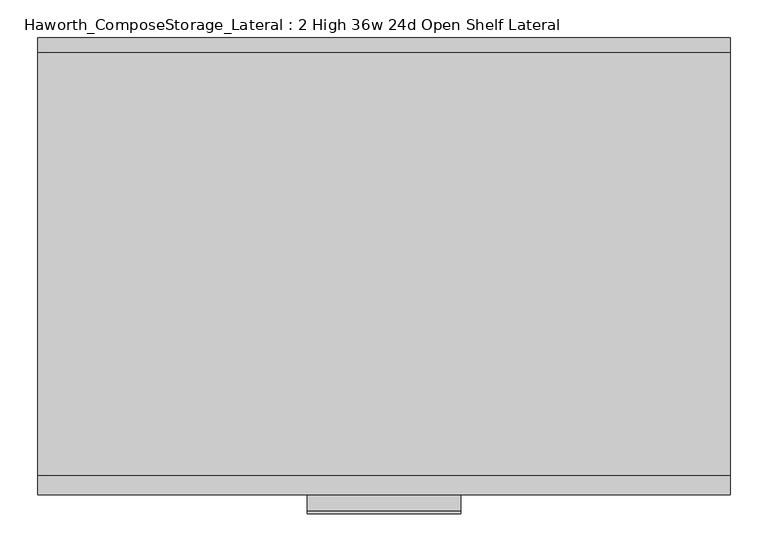
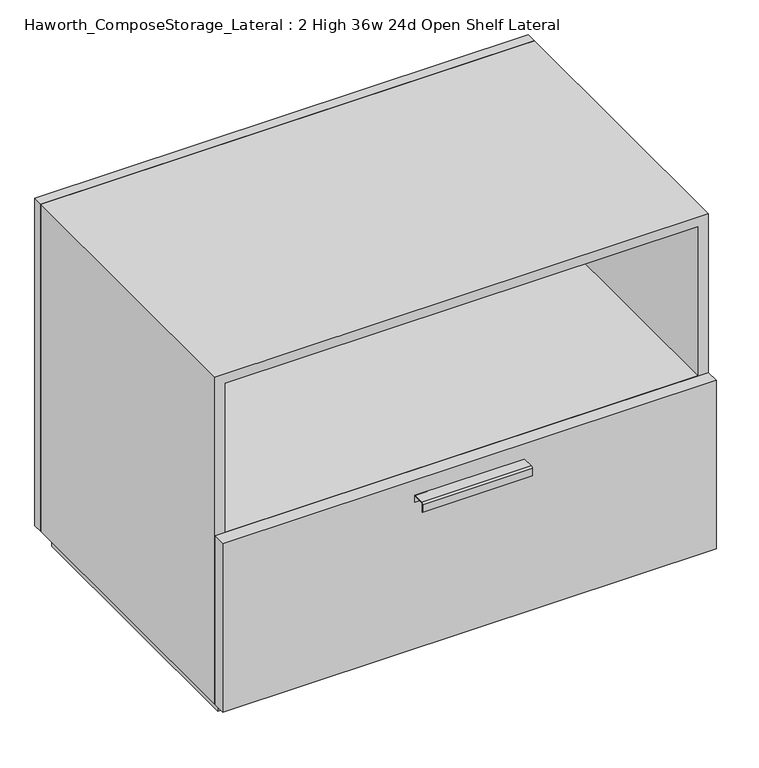
"""IFC4 building model written with IfcOpenShell, lengths in millimetres: furniture geometry, Haworth_ComposeStorage_Lateral : 2 High 36w 24d Open Shelf Lateral."""

from ifc_helpers import new_model, si_unit, point, frame, frame_2d, origin, origin_with_axes, place, context, project, spatial, polyline, circle_curve, trimmed, segment, composite_curve, outline, extrude, source, transform, mapped, element, save


def haworth_composestorage_lateral_2_high_36w_24d_open_shelf_fdd74e91(model_context):
    return source(origin(), model_context, "Body", "SweptSolid", [
        extrude(outline(composite_curve([segment(polyline([(-276.2250242, 326.0169215), (-254.0, 326.0169215), (-254.0, 312.5549525), (-254.7937742, 312.5549525), (-254.7937742, 325.2232199), (-276.2250242, 325.2232199)]), True, "CONTINUOUS"), segment(trimmed(circle_curve(frame_2d((-276.2250242, 322.8392808)), 2.3839392), [point((-276.2250242, 325.2232199))], [point((-278.6089634, 322.8392808))], True, "CARTESIAN"), True, "CONTINUOUS"), segment(polyline([(-278.6089634, 322.8392808), (-278.6089634, 308.2369021), (-279.3999758, 308.2369021), (-279.3999758, 322.8419699)]), True, "CONTINUOUS"), segment(trimmed(circle_curve(frame_2d((-276.2250242, 322.8419699)), 3.1749516), [point((-279.3999758, 322.8419699))], [point((-276.2250242, 326.0169215))], False, "CARTESIAN"), True, "CONTINUOUS")], self_intersect=False)), frame((-101.5861094, 0.0, 0.0), z_axis=(1.0, 0.0, 0.0), x_axis=(0.0, 1.0, 0.0)), (0.0, 0.0, 1.0), 203.2),
        extrude(outline(polyline([(457.2138906, -228.6), (457.2138906, -254.0), (-457.1861094, -254.0), (-457.1861094, -228.6), (457.2138906, -228.6)])), frame((0.0, 0.0, 25.4), z_axis=(0.0, 0.0, 1.0), x_axis=(1.0, 0.0, 0.0)), (0.0, 0.0, 1.0), 330.2),
        extrude(outline(polyline([(438.1569453, 295.275), (438.1569453, -228.6), (-438.1291641, -228.6), (-438.1291641, 295.275), (438.1569453, 295.275)])), frame((0.0, 0.0, 336.55), z_axis=(0.0, 0.0, 1.0), x_axis=(1.0, 0.0, 0.0)), (0.0, 0.0, 1.0), 19.05),
        extrude(outline(polyline([(457.2138906, 330.2), (-457.1861094, 330.2), (-457.1861094, 349.25), (457.2138906, 349.25), (457.2138906, 330.2)])), frame((0.0, 0.0, 25.4), z_axis=(0.0, 0.0, 1.0), x_axis=(1.0, 0.0, 0.0)), (0.0, 0.0, 1.0), 641.35),
        extrude(outline(polyline([(25.4, -457.1861094), (25.4, 457.2), (666.75, 457.2), (666.75, -457.1861094), (25.4, -457.1861094)]), holes=[polyline([(44.45, -438.1361094), (647.7, -438.1361094), (647.7, 438.1361094), (44.45, 438.1361094), (44.45, -438.1361094)])]), frame((0.0, -228.6, 0.0), z_axis=(0.0, 1.0, 0.0), x_axis=(0.0, 0.0, 1.0)), (0.0, 0.0, 1.0), 558.8),
        extrude(outline(polyline([(-438.1291641, 295.275), (-438.1291641, 304.8), (438.1569453, 304.8), (438.1569453, 295.275), (-438.1291641, 295.275)])), frame((0.0, 0.0, 44.45), z_axis=(0.0, 0.0, 1.0), x_axis=(1.0, 0.0, 0.0)), (0.0, 0.0, 1.0), 603.25),
        extrude(outline(polyline([(444.5138906, -215.9), (-444.4861094, -215.9), (-444.4861094, 317.5), (444.5138906, 317.5), (444.5138906, -215.9)])), origin_with_axes(), (0.0, 0.0, 1.0), 25.4),
    ])


if __name__ == "__main__":
    model = new_model("IFC4")
    model_context = context("Model", 3, world=origin())
    ifc_project = project(units=[si_unit("LENGTHUNIT", "METRE", prefix="MILLI")], contexts=[model_context])
    site = spatial("IfcSite", under=ifc_project)
    building = spatial("IfcBuilding", under=site)
    placement = place(None, origin())
    haworth_composestorage_lateral_2_high_36w_24d_open_shelf_shape = haworth_composestorage_lateral_2_high_36w_24d_open_shelf_fdd74e91(model_context)
    element("IfcFurniture", 1, ObjectType="Haworth_ComposeStorage_Lateral : 2 High 36w 24d Open Shelf Lateral", at=placement, inside=building, context=model_context, shape_type="MappedRepresentation", body=[
        mapped(haworth_composestorage_lateral_2_high_36w_24d_open_shelf_shape, transform((0.0, 0.0, 0.0), x_axis=(1.0, 0.0, 0.0), y_axis=(0.0, 1.0, 0.0), z_axis=(0.0, 0.0, 1.0))),
    ])
    save(model, "model.ifc")
